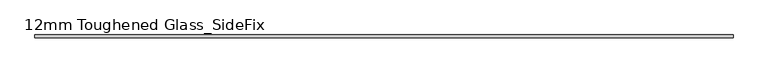
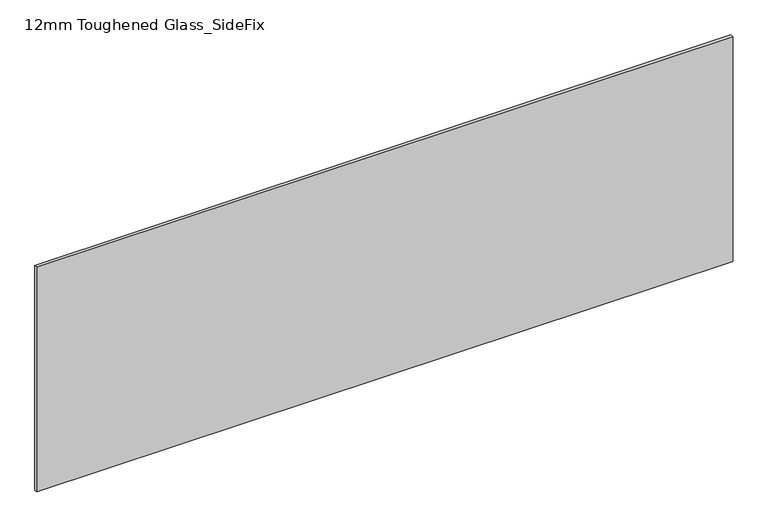
"""IFC4 building model written with IfcOpenShell, lengths in millimetres: plate geometry, 12mm Toughened Glass_SideFix."""

from ifc_helpers import new_model, si_unit, origin, origin_with_axes, place, context, project, spatial, polyline, outline, extrude, source, transform, mapped, element, save


def plate_12mm_toughened_glass_sidefix_b31eebd6(model_context):
    return source(origin(), model_context, "Body", "SweptSolid", [
        extrude(outline(polyline([(1420.0, -26.0), (1420.0, -38.0), (-1420.0, -38.0), (-1420.0, -26.0), (1420.0, -26.0)])), origin_with_axes(), (0.0, 0.0, 1.0), 970.0),
    ])


if __name__ == "__main__":
    model = new_model("IFC4")
    model_context = context("Model", 3, world=origin())
    ifc_project = project(units=[si_unit("LENGTHUNIT", "METRE", prefix="MILLI")], contexts=[model_context])
    site = spatial("IfcSite", under=ifc_project)
    building = spatial("IfcBuilding", under=site)
    placement = place(None, origin())
    plate_12mm_toughened_glass_sidefix_shape = plate_12mm_toughened_glass_sidefix_b31eebd6(model_context)
    element("IfcPlate", 1, ObjectType="12mm Toughened Glass_SideFix", at=placement, inside=building, context=model_context, shape_type="MappedRepresentation", body=[
        mapped(plate_12mm_toughened_glass_sidefix_shape, transform((0.0, 0.0, 0.0), x_axis=(1.0, 0.0, 0.0), y_axis=(0.0, 1.0, 0.0), z_axis=(0.0, 0.0, 1.0))),
    ])
    save(model, "model.ifc")
